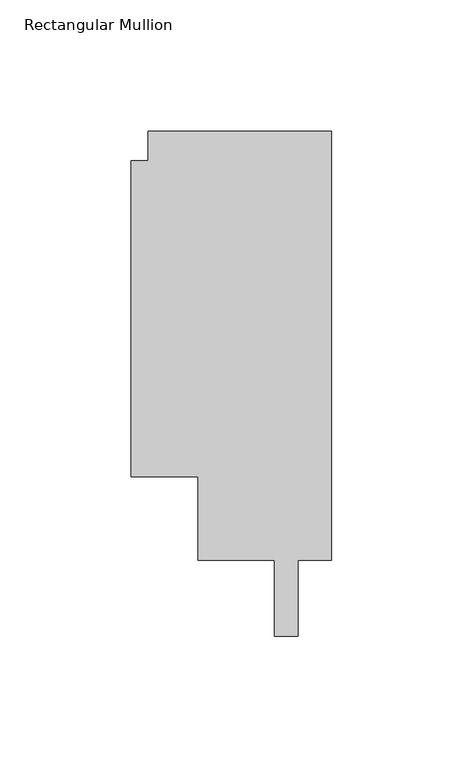
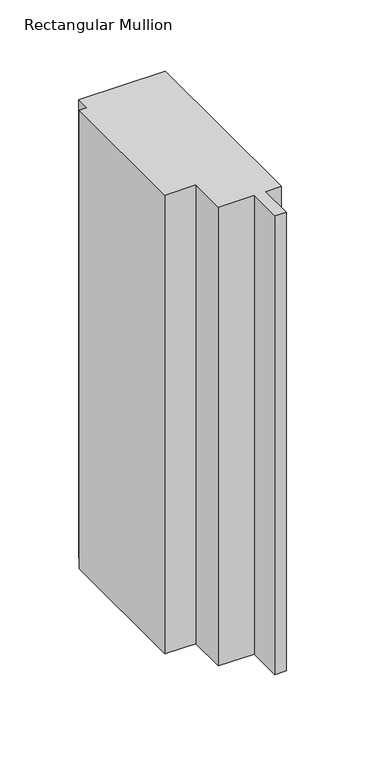
"""IFC4 building model written with IfcOpenShell, lengths in millimetres: member geometry, Rectangular Mullion."""

from ifc_helpers import new_model, si_unit, frame, origin, place, context, project, spatial, polyline, outline, extrude, source, transform, mapped, element, save


def rectangular_mullion_5514a26e(model_context):
    return source(origin(), model_context, "Body", "SweptSolid", [
        extrude(outline(polyline([(-69.85, 163.068), (0.0, 163.068), (0.0, 0.0), (-12.7082673, 0.0), (-12.7082673, -29.0594018), (-21.6998673, -29.0594018), (-21.6998673, 0.0), (-50.7999999, 0.0), (-50.7999999, 31.75), (-76.1999999, 31.75), (-76.1999999, 151.892), (-69.85, 151.892), (-69.85, 163.068)])), frame((0.0, 0.0, -393.7023813), z_axis=(0.0, 0.0, 1.0), x_axis=(1.0, 0.0, 0.0)), (0.0, 0.0, 1.0), 393.7023813),
    ])


if __name__ == "__main__":
    model = new_model("IFC4")
    model_context = context("Model", 3, world=origin())
    ifc_project = project(units=[si_unit("LENGTHUNIT", "METRE", prefix="MILLI")], contexts=[model_context])
    site = spatial("IfcSite", under=ifc_project)
    building = spatial("IfcBuilding", under=site)
    placement = place(None, origin())
    rectangular_mullion_shape = rectangular_mullion_5514a26e(model_context)
    element("IfcMember", 1, ObjectType="Rectangular Mullion", at=placement, inside=building, context=model_context, shape_type="MappedRepresentation", body=[
        mapped(rectangular_mullion_shape, transform((0.0, 0.0, 0.0), x_axis=(1.0, 0.0, 0.0), y_axis=(0.0, 1.0, 0.0), z_axis=(0.0, 0.0, 1.0))),
    ])
    save(model, "model.ifc")
